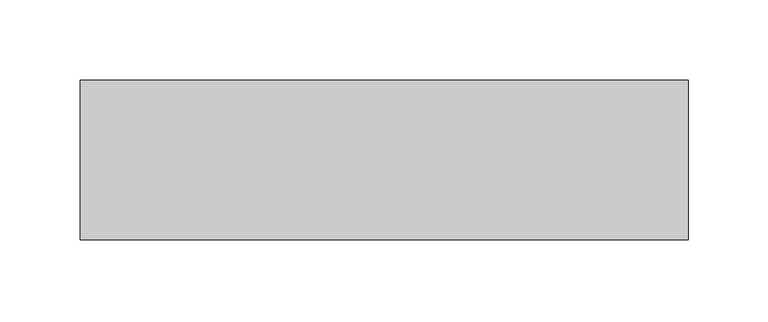
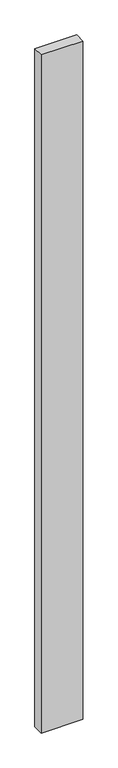
"""IFC4 building model written with IfcOpenShell, lengths in millimetres: proxy geometry."""

import ifcopenshell
import ifcopenshell.guid

model = None  # the IFC model being written
_history = None  # IfcOwnerHistory: only IFC2X3 demands one
_inside = {}  # id of a spatial element -> (the spatial element, [elements in it])
_under = {}  # id of a project, library or spatial element -> (it, [spatial elements below it])
_declared = {}  # id of a project -> (the project, [libraries it declares])
_typed = {}  # id of a type object -> (the type object, [elements of that type])
_made_of = {}  # id of a material, layer set ... -> (it, [elements and type objects made of it])


def new_model(schema):
    """Start an empty IFC model of exactly this schema.

    Asked for "IFC4X3", IfcOpenShell would pick the latest addendum, in which some entities
    have other attributes; the version numbers below select the first issue.
    IFC2X3 requires an IfcOwnerHistory on every rooted entity: one is made here for all.
    """
    global model, _history
    if schema == "IFC4X3":
        model = ifcopenshell.file(schema_version=(4, 3, 0, 0))
    else:
        model = ifcopenshell.file(schema=schema)
    _inside.clear()
    _under.clear()
    _declared.clear()
    _typed.clear()
    _made_of.clear()
    _history = None
    if model.schema == "IFC2X3":
        org = make("IfcOrganization", Name="unknown")
        user = make(
            "IfcPersonAndOrganization",
            ThePerson=make("IfcPerson", FamilyName="unknown"),
            TheOrganization=org,
        )
        app = make(
            "IfcApplication",
            ApplicationDeveloper=org,
            Version="unknown",
            ApplicationFullName="unknown",
            ApplicationIdentifier="unknown",
        )
        _history = make(
            "IfcOwnerHistory",
            OwningUser=user,
            OwningApplication=app,
            ChangeAction="ADDED",
            CreationDate=0,
        )
    return model


def make(cls, **values):
    """One entity of the class cls with the attributes given. An attribute that is None is left unset."""
    return model.create_entity(
        cls, **{name: value for name, value in values.items() if value is not None}
    )


def rooted(cls, **values):
    """An entity with a GlobalId (a new one), such as an element, a storey or a relation."""
    return make(cls, GlobalId=ifcopenshell.guid.new(), OwnerHistory=_history, **values)


def si_unit(unit_type, name, prefix=None):
    """IfcSIUnit, for example si_unit("LENGTHUNIT", "METRE", prefix="MILLI")."""
    return make("IfcSIUnit", UnitType=unit_type, Prefix=prefix, Name=name)


def assignment(units):
    """IfcUnitAssignment: the units of a project."""
    return None if units is None else make("IfcUnitAssignment", Units=units)


def point(xyz):
    """IfcCartesianPoint."""
    return None if xyz is None else make("IfcCartesianPoint", Coordinates=xyz)


def direction(xyz):
    """IfcDirection."""
    return None if xyz is None else make("IfcDirection", DirectionRatios=xyz)


def frame(location, z_axis=None, x_axis=None):
    """IfcAxis2Placement3D, a coordinate frame: its origin and axes. An axis left out is left unset."""
    return make(
        "IfcAxis2Placement3D",
        Location=point(location),
        Axis=direction(z_axis),
        RefDirection=direction(x_axis),
    )


def origin():
    """The frame at (0, 0, 0) with its axes left unset."""
    return frame((0.0, 0.0, 0.0))


def place(relative_to, where):
    """IfcLocalPlacement: puts the frame where relative to a parent placement (None: the world)."""
    return make(
        "IfcLocalPlacement", PlacementRelTo=relative_to, RelativePlacement=where
    )


def context(
    kind, dimensions, precision=None, world=None, true_north=None, identifier=None
):
    """IfcGeometricRepresentationContext, for example the 3D "Model" context."""
    return make(
        "IfcGeometricRepresentationContext",
        ContextIdentifier=identifier,
        ContextType=kind,
        CoordinateSpaceDimension=dimensions,
        Precision=precision,
        WorldCoordinateSystem=world,
        TrueNorth=true_north,
    )


def project(units=None, contexts=None):
    """IfcProject with its units and contexts."""
    return rooted(
        "IfcProject",
        Name="project",
        RepresentationContexts=contexts,
        UnitsInContext=assignment(units),
    )


def spatial(cls, under=None, at=None, **own):
    """A site, building, storey or space (cls), placed at a placement, below another one or the project."""
    s = rooted(cls, ObjectPlacement=at, **own)
    if under is not None:
        _under.setdefault(under.id(), (under, []))[1].append(s)
    return s


def polyline(points):
    """IfcPolyline through the points."""
    return make("IfcPolyline", Points=[point(p) for p in points])


def outline(outer, holes=None, kind="AREA"):
    """IfcArbitraryClosedProfileDef: a profile drawn as a closed curve; with holes, ...WithVoids."""
    if holes is None:
        return make("IfcArbitraryClosedProfileDef", ProfileType=kind, OuterCurve=outer)
    return make(
        "IfcArbitraryProfileDefWithVoids",
        ProfileType=kind,
        OuterCurve=outer,
        InnerCurves=holes,
    )


def extrude(swept, where, along, depth):
    """IfcExtrudedAreaSolid: the profile swept, set in the frame where, extruded along a direction by depth."""
    return make(
        "IfcExtrudedAreaSolid",
        SweptArea=swept,
        Position=where,
        ExtrudedDirection=direction(along),
        Depth=depth,
    )


def shape(context_of_items, identifier, shape_type, items):
    """IfcShapeRepresentation: the items that make up one representation, for example the "Body"."""
    return make(
        "IfcShapeRepresentation",
        ContextOfItems=context_of_items,
        RepresentationIdentifier=identifier,
        RepresentationType=shape_type,
        Items=items,
    )


def source(mapping_origin, context_of_items, identifier, shape_type, items):
    """IfcRepresentationMap: a shape defined once, which mapped items show again and again."""
    return make(
        "IfcRepresentationMap",
        MappingOrigin=mapping_origin,
        MappedRepresentation=shape(context_of_items, identifier, shape_type, items),
    )


def transform(
    local_origin,
    x_axis=None,
    y_axis=None,
    z_axis=None,
    scale=None,
    scale2=None,
    scale3=None,
    uniform=True,
):
    """IfcCartesianTransformationOperator3D, or its non-uniform kind. x_axis, y_axis, z_axis: its Axis1, 2, 3."""
    if uniform:
        return make(
            "IfcCartesianTransformationOperator3D",
            Axis1=direction(x_axis),
            Axis2=direction(y_axis),
            LocalOrigin=point(local_origin),
            Scale=scale,
            Axis3=direction(z_axis),
        )
    return make(
        "IfcCartesianTransformationOperator3DnonUniform",
        Axis1=direction(x_axis),
        Axis2=direction(y_axis),
        LocalOrigin=point(local_origin),
        Scale=scale,
        Axis3=direction(z_axis),
        Scale2=scale2,
        Scale3=scale3,
    )


def mapped(mapping_source, mapping_target):
    """IfcMappedItem: shows the shape of a source again, moved by a transform."""
    return make(
        "IfcMappedItem", MappingSource=mapping_source, MappingTarget=mapping_target
    )


def made_of(thing, what):
    """Note that an element or type object is made of a material, layer set ...; save() writes the relation."""
    if what is not None:
        _made_of.setdefault(what.id(), (what, []))[1].append(thing)
    return thing


def element(
    cls,
    number,
    at=None,
    inside=None,
    cuts=None,
    type_object=None,
    material=None,
    context=None,
    identifier="Body",
    shape_type=None,
    held_by="IfcProductDefinitionShape",
    body=None,
    shapes=None,
    **own,
):
    """One element of the class cls, such as IfcWall. Its Tag is "e" and its number.

    at: its placement. inside: the storey or other place that contains it. cuts: it is an
    opening in that element (IfcRelVoidsElement). A single representation is given by context,
    identifier, shape_type and body (its items); several are given by shapes. held_by: the class
    of the entity that holds the representations. save() writes the other relations.
    """
    e = rooted(cls, Tag="e%d" % number, ObjectPlacement=at, **own)
    if body is not None:
        shapes = [shape(context, identifier, shape_type, body)]
    if shapes is not None:
        e.Representation = make(held_by, Representations=shapes)
    if inside is not None:
        _inside.setdefault(inside.id(), (inside, []))[1].append(e)
    if cuts is not None:
        rooted(
            "IfcRelVoidsElement", RelatingBuildingElement=cuts, RelatedOpeningElement=e
        )
    if type_object is not None:
        _typed.setdefault(type_object.id(), (type_object, []))[1].append(e)
    return made_of(e, material)


def aggregate(whole, parts):
    """IfcRelAggregates: a whole, such as a stair, and the parts it consists of."""
    return rooted("IfcRelAggregates", RelatingObject=whole, RelatedObjects=parts)


def save(model, path):
    """Write the relations noted so far, then the file.

    IfcRelAggregates (storeys below a building ...), IfcRelContainedInSpatialStructure (elements
    in a storey), IfcRelDefinesByType, IfcRelAssociatesMaterial and IfcRelDeclares: one each for
    every whole, place, type object, material and project.
    """
    for whole, parts in _under.values():
        aggregate(whole, parts)
    for where, things in _inside.values():
        rooted(
            "IfcRelContainedInSpatialStructure",
            RelatedElements=things,
            RelatingStructure=where,
        )
    for kind, things in _typed.values():
        rooted("IfcRelDefinesByType", RelatedObjects=things, RelatingType=kind)
    for what, things in _made_of.values():
        rooted("IfcRelAssociatesMaterial", RelatedObjects=things, RelatingMaterial=what)
    for by, libraries in _declared.values():
        rooted("IfcRelDeclares", RelatingContext=by, RelatedDefinitions=libraries)
    model.write(path)


def generic_models_8f90a9f8(model_context):
    return source(origin(), model_context, "Body", "SweptSolid", [
        extrude(outline(polyline([(380.0, 100.0), (380.0, 0.0), (0.0, 0.0), (0.0, 100.0), (380.0, 100.0)])), frame((0.0, 0.0, -6550.0), z_axis=(0.0, 0.0, 1.0), x_axis=(1.0, 0.0, 0.0)), (0.0, 0.0, 1.0), 6550.0),
    ])


if __name__ == "__main__":
    model = new_model("IFC4")
    model_context = context("Model", 3, world=origin())
    ifc_project = project(units=[si_unit("LENGTHUNIT", "METRE", prefix="MILLI")], contexts=[model_context])
    site = spatial("IfcSite", under=ifc_project)
    building = spatial("IfcBuilding", under=site)
    placement = place(None, origin())
    generic_models_shape = generic_models_8f90a9f8(model_context)
    element("IfcBuildingElementProxy", 1, Name="Generic Models", at=placement, inside=building, context=model_context, shape_type="MappedRepresentation", body=[
        mapped(generic_models_shape, transform((0.0, 0.0, 0.0), x_axis=(1.0, 0.0, 0.0), y_axis=(0.0, 1.0, 0.0), z_axis=(0.0, 0.0, 1.0))),
    ])
    save(model, "model.ifc")
